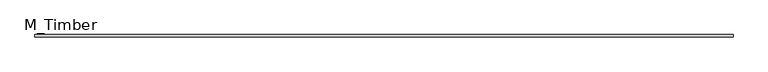
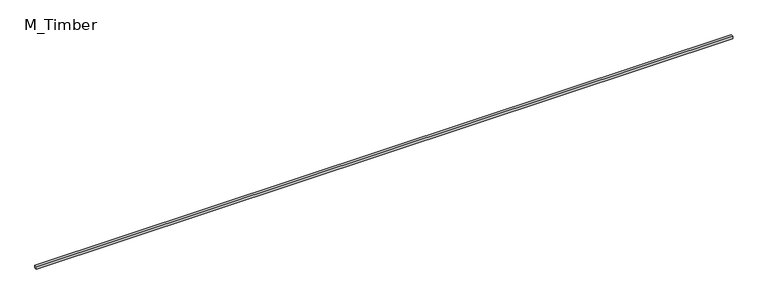
"""IFC4 building model written with IfcOpenShell, lengths in millimetres: beam geometry, M_Timber."""

from ifc_helpers import new_model, si_unit, frame, origin, place, context, project, spatial, polyline, outline, extrude, source, transform, mapped, element, save


def m_timber_1857c3a9(model_context):
    return source(origin(), model_context, "Body", "SweptSolid", [
        extrude(outline(polyline([(5390.3840875, 20.0), (5390.3840875, -20.0), (-5390.3840875, -20.0), (-5390.3840875, 20.0), (5390.3840875, 20.0)])), frame((0.0, 0.0, -20.0), z_axis=(0.0, 0.0, 1.0), x_axis=(1.0, 0.0, 0.0)), (0.0, 0.0, 1.0), 40.0),
    ])


if __name__ == "__main__":
    model = new_model("IFC4")
    model_context = context("Model", 3, world=origin())
    ifc_project = project(units=[si_unit("LENGTHUNIT", "METRE", prefix="MILLI")], contexts=[model_context])
    site = spatial("IfcSite", under=ifc_project)
    building = spatial("IfcBuilding", under=site)
    placement = place(None, origin())
    m_timber_shape = m_timber_1857c3a9(model_context)
    element("IfcBeam", 1, ObjectType="M_Timber", at=placement, inside=building, context=model_context, shape_type="MappedRepresentation", body=[
        mapped(m_timber_shape, transform((0.0, 0.0, 0.0), x_axis=(1.0, 0.0, 0.0), y_axis=(0.0, 1.0, 0.0), z_axis=(0.0, 0.0, 1.0))),
    ])
    save(model, "model.ifc")
